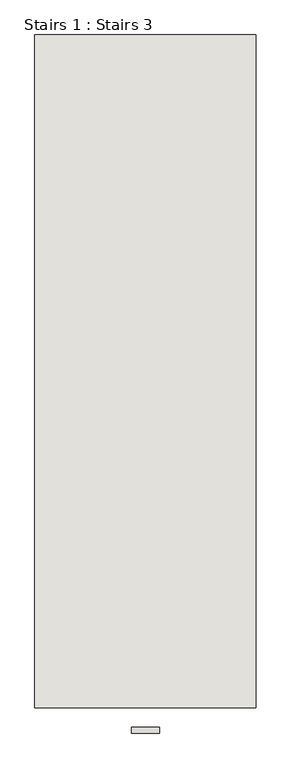
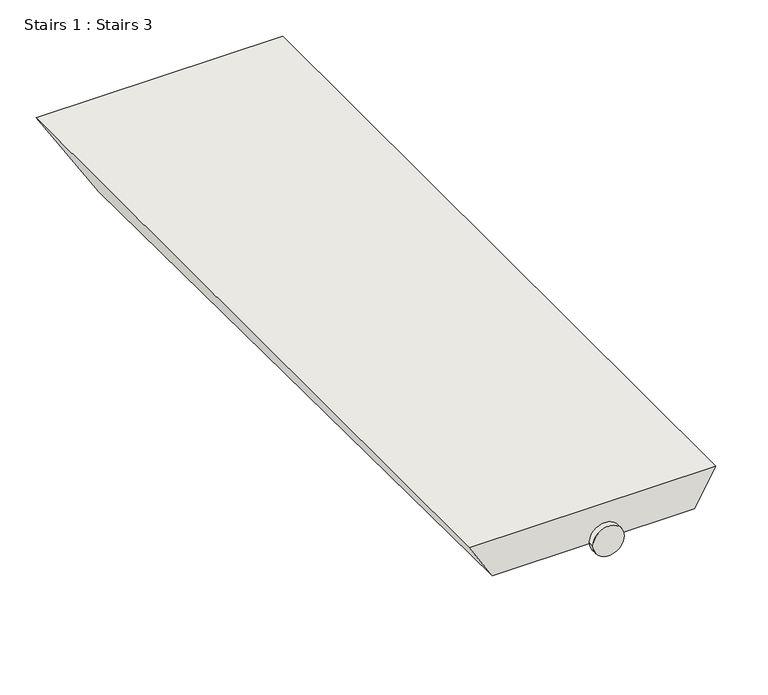
"""IFC4 building model written with IfcOpenShell, lengths in millimetres: wall geometry, Stairs 1 : Stairs 3."""

from ifc_helpers import new_model, si_unit, point, frame, frame_2d, origin, place, context, project, spatial, circle_curve, trimmed, segment, composite_curve, outline, extrude, faceted_brep, source, transform, mapped, element, save


def stairs_1_stairs_3_706a1be4(model_context):
    return source(origin(), model_context, "Body", "SolidModel", [
        extrude(outline(composite_curve([segment(trimmed(circle_curve(frame_2d((68139.293103, 103051.7057466)), 25.0), [point((68139.293103, 103076.7057466))], [point((68139.293103, 103026.7057466))], False, "CARTESIAN"), True, "CONTINUOUS"), segment(trimmed(circle_curve(frame_2d((68139.293103, 103051.7057466)), 25.0), [point((68139.293103, 103026.7057466))], [point((68139.293103, 103076.7057466))], False, "CARTESIAN"), True, "CONTINUOUS")], self_intersect=False)), frame((0.0, -36520.9230841, 0.0), z_axis=(0.0, 1.0, 0.0), x_axis=(0.0, 0.0, 1.0)), (0.0, 0.0, 1.0), 10.0),
        faceted_brep([(103249.0527263, -36475.9230841, 68169.293103), (102854.3587668, -36475.9230841, 68169.293103), (102891.8509279, -36475.9230841, 68109.293103), (103214.4117101, -36475.9230841, 68109.293103), (102854.3587668, -35275.9230841, 68169.293103), (103249.0527263, -35275.9230841, 68169.293103), (103156.6766832, -35275.9230841, 68009.293103), (102954.3378631, -35275.9230841, 68009.293103)], [[[0, 1, 2, 3]], [[4, 5, 6, 7]], [[5, 4, 1, 0]], [[7, 6, 3, 2]], [[2, 1, 4, 7]], [[0, 3, 6, 5]]]),
    ])


if __name__ == "__main__":
    model = new_model("IFC4")
    model_context = context("Model", 3, world=origin())
    ifc_project = project(units=[si_unit("LENGTHUNIT", "METRE", prefix="MILLI")], contexts=[model_context])
    site = spatial("IfcSite", under=ifc_project)
    building = spatial("IfcBuilding", under=site)
    placement = place(None, origin())
    stairs_1_stairs_3_shape = stairs_1_stairs_3_706a1be4(model_context)
    element("IfcWall", 1, ObjectType="Stairs 1 : Stairs 3", at=placement, inside=building, context=model_context, shape_type="MappedRepresentation", body=[
        mapped(stairs_1_stairs_3_shape, transform((0.0, 0.0, 0.0), x_axis=(1.0, 0.0, 0.0), y_axis=(0.0, 1.0, 0.0), z_axis=(0.0, 0.0, 1.0))),
    ])
    save(model, "model.ifc")
